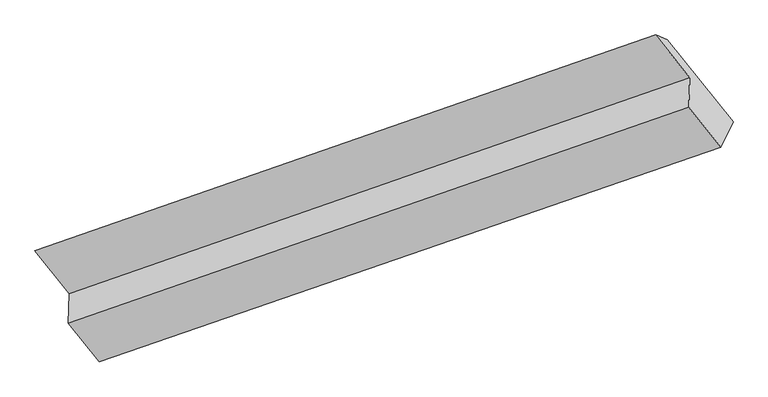
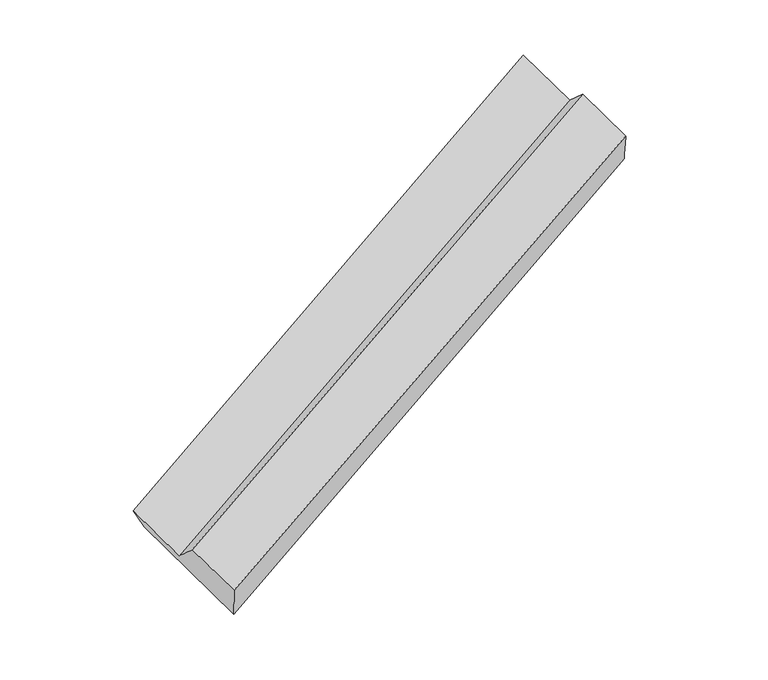
"""IFC4 building model written with IfcOpenShell, lengths in millimetres: proxy geometry."""

from ifc_helpers import new_model, si_unit, frame, origin, place, context, project, spatial, source, transform, mapped, element, save
from ifc_brep_helpers import plane_surface, spline_surface, advanced_brep


def generic_models_18344ee2(model_context):
    return source(origin(), model_context, "Body", "AdvancedBrep", [
        advanced_brep(
        [(-5447.3929157, -2873.5071184, 0.8337305), (-6083.1252663, -2079.4871255, 868.6517558), (-125.911802, -6.2977332, 3389.7293958), (505.0658481, -794.3791778, 2528.401861), (-6190.5396476, -2031.4168885, 1086.0016011), (-238.3039938, 40.2542206, 3620.2290022), (-5862.612195, -2440.9932665, 638.3582586), (89.6234588, -369.3221574, 3172.5856598), (-5871.1550219, -2726.513454, 893.3400398), (81.0806319, -654.8423449, 3427.5674409), (-5575.3526567, -3095.9660886, 489.549633), (386.3923981, -1036.1720761, 3010.7960531)],
        [
            (0, 1),
            (1, 2),
            (2, 3),
            (3, 0),
            (1, 4),
            (4, 5),
            (5, 2),
            (4, 6),
            (6, 7),
            (7, 5),
            (6, 8),
            (8, 9),
            (9, 7),
            (8, 10),
            (10, 11),
            (11, 9),
            (10, 0),
            (3, 11),
        ],
        [
            plane_surface(frame((-5765.259091, -2476.4971219, 434.7427431), z_axis=(0.02231100412760917, 0.7456831557874254, -0.6659270607729679), x_axis=(-0.4754700505157356, 0.5938548285720204, 0.6490490533420875))),
            spline_surface(1, 1, [[(-6083.1252663, -2079.4871255, 868.6517558), (-125.911802, -6.2977332, 3389.7293958)], [(-6190.5396476, -2031.4168885, 1086.0016011), (-238.3039938, 40.2542206, 3620.2290022)]], [2, 2], [2, 2], [0.0, 1.0], [0.0, 1.0]),
            plane_surface(frame((-6026.5759213, -2236.2050775, 862.1799298), z_axis=(-0.023605670938219386, -0.7461271576032992, 0.6653848788380892), x_axis=(0.4754700505157311, -0.5938548285720355, -0.6490490533420772))),
            plane_surface(frame((-5866.8836085, -2583.7533602, 765.8491492), z_axis=(-0.48128560527225095, 0.5918401950944722, 0.6465982907712177), x_axis=(-0.022311004127609883, -0.7456831557874244, 0.665927060772969))),
            plane_surface(frame((-5723.2538393, -2911.2397713, 691.4448364), z_axis=(-0.02360567093821042, -0.7461271576033108, 0.6653848788380763), x_axis=(0.4754700505157384, -0.5938548285720187, -0.6490490533420874))),
            spline_surface(1, 1, [[(-5575.3526567, -3095.9660886, 489.549633), (386.3923981, -1036.1720761, 3010.7960531)], [(-5447.3929157, -2873.5071184, 0.8337305), (505.0658481, -794.3791778, 2528.401861)]], [2, 2], [2, 2], [0.0, 1.0], [0.0, 1.0]),
            plane_surface(frame((116.3244235, -470.1265448, 3191.5515688), z_axis=(0.8794489468737681, 0.3021474371173901, 0.367799505282448), x_axis=(0.4754700505157384, -0.5938548285720187, -0.6490490533420874))),
            plane_surface(frame((-5838.3629505, -2541.3139902, 662.7891698), z_axis=(-0.8794489468737711, -0.30214743711738057, -0.3677995052824481), x_axis=(-0.23181077420619697, -0.4030047710527667, 0.8853535561969753))),
        ],
        [
            (0, [[1, 2, 3, 4]]),
            (1, [[5, 6, 7, -2]]),
            (2, [[8, 9, 10, -6]]),
            (3, [[11, 12, 13, -9]]),
            (4, [[14, 15, 16, -12]]),
            (5, [[17, -4, 18, -15]]),
            (6, [[-16, -18, -3, -7, -10, -13]]),
            (7, [[-17, -14, -11, -8, -5, -1]]),
        ],
    ),
    ])


if __name__ == "__main__":
    model = new_model("IFC4")
    model_context = context("Model", 3, world=origin())
    ifc_project = project(units=[si_unit("LENGTHUNIT", "METRE", prefix="MILLI")], contexts=[model_context])
    site = spatial("IfcSite", under=ifc_project)
    building = spatial("IfcBuilding", under=site)
    placement = place(None, origin())
    generic_models_shape = generic_models_18344ee2(model_context)
    element("IfcBuildingElementProxy", 1, Name="Generic Models", at=placement, inside=building, context=model_context, shape_type="MappedRepresentation", body=[
        mapped(generic_models_shape, transform((0.0, 0.0, 0.0), x_axis=(1.0, 0.0, 0.0), y_axis=(0.0, 1.0, 0.0), z_axis=(0.0, 0.0, 1.0))),
    ])
    save(model, "model.ifc")
